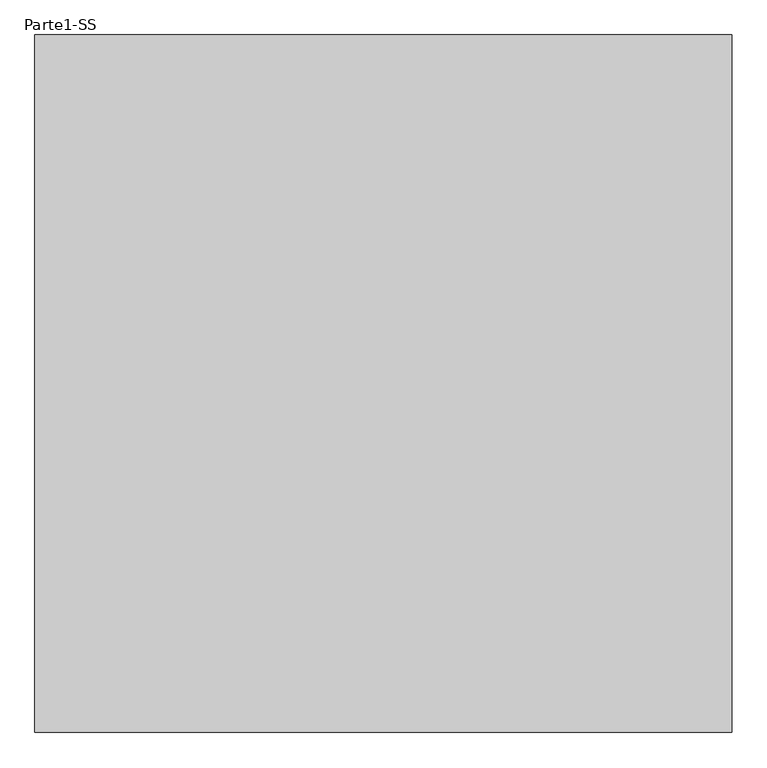
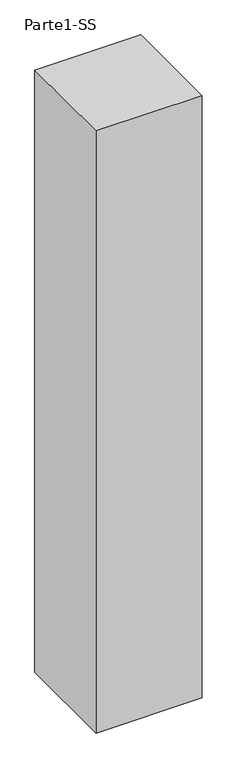
"""IFC4 building model written with IfcOpenShell, lengths in millimetres: proxy geometry, Parte1-SS."""

from ifc_helpers import new_model, si_unit, frame, origin, place, context, project, spatial, polyline, outline, extrude, source, transform, mapped, element, save


def parte1_ss_dea70e28(model_context):
    return source(origin(), model_context, "Body", "SweptSolid", [
        extrude(outline(polyline([(10000.0, 10000.0), (10000.0, 0.0), (0.0, 0.0), (0.0, 10000.0), (10000.0, 10000.0)])), frame((0.0, 0.0, 10000.0), z_axis=(0.0, 0.0, 1.0), x_axis=(1.0, 0.0, 0.0)), (0.0, 0.0, 1.0), 60000.0),
    ])


if __name__ == "__main__":
    model = new_model("IFC4")
    model_context = context("Model", 3, world=origin())
    ifc_project = project(units=[si_unit("LENGTHUNIT", "METRE", prefix="MILLI")], contexts=[model_context])
    site = spatial("IfcSite", under=ifc_project)
    building = spatial("IfcBuilding", under=site)
    placement = place(None, origin())
    parte1_ss_shape = parte1_ss_dea70e28(model_context)
    element("IfcBuildingElementProxy", 1, Name="Parte1-SS", ObjectType="Parte1-SS", at=placement, inside=building, context=model_context, shape_type="MappedRepresentation", body=[
        mapped(parte1_ss_shape, transform((0.0, 0.0, 0.0), x_axis=(1.0, 0.0, 0.0), y_axis=(0.0, 1.0, 0.0), z_axis=(0.0, 0.0, 1.0))),
    ])
    save(model, "model.ifc")
